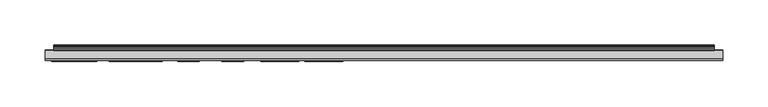
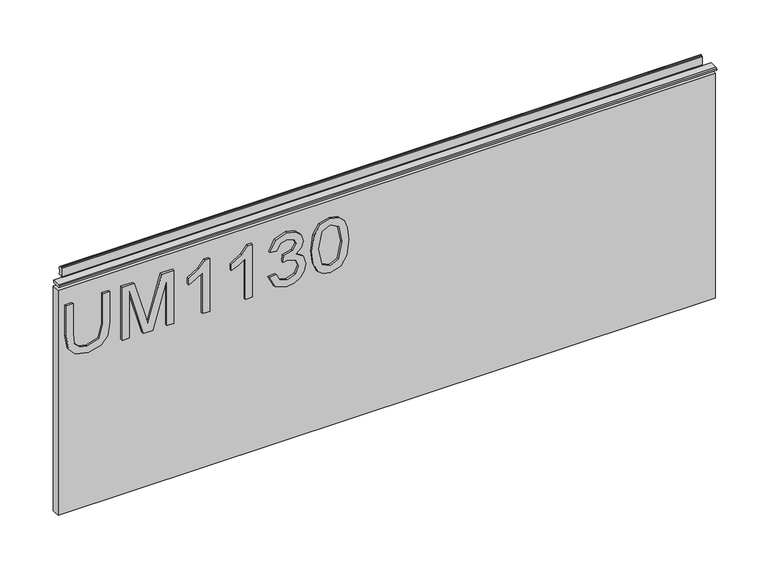
"""IFC4 building model written with IfcOpenShell, lengths in millimetres: furniture geometry."""

from ifc_helpers import new_model, si_unit, frame, origin, place, context, project, spatial, polyline, outline, extrude, source, transform, mapped, element, save


def furniture_ed817f04(model_context):
    return source(origin(), model_context, "Body", "SweptSolid", [
        extrude(outline(polyline([(1116.7975569, -249.406548), (1080.2772981, -249.406548), (1064.1741222, -253.4401289), (1059.9848047, -266.9425017), (1062.1028239, -276.3178517), (1068.1220478, -281.7219156), (1080.2772981, -283.2948564), (1116.7975569, -283.2948564), (1116.7975569, -291.268576), (1079.9969721, -291.268576), (1064.0261723, -288.8468702), (1055.0946719, -280.7641349), (1052.011085, -266.1949655), (1055.5540952, -251.3999779), (1064.7425612, -243.5975687), (1079.9969721, -241.4328284), (1116.7975569, -241.4328284), (1116.7975569, -249.406548)])), frame((0.0, -6.7767932, 0.0), z_axis=(0.0, 1.0, 0.0), x_axis=(0.0, 0.0, 1.0)), (0.0, 0.0, 1.0), 2.38125),
        extrude(outline(polyline([(1053.0078, -227.4788191), (1053.0078, -219.5050995), (1108.8238373, -219.5050995), (1053.0078, -203.4797919), (1053.0078, -192.6716641), (1108.8238373, -176.6463565), (1053.0078, -176.6463565), (1053.0078, -168.6726369), (1116.7975569, -168.6726369), (1116.7975569, -182.3930412), (1072.615052, -195.2257462), (1062.4454447, -198.075728), (1071.8363684, -200.7076784), (1116.7975569, -213.7584148), (1116.7975569, -227.4788191), (1053.0078, -227.4788191)])), frame((0.0, -6.7767932, 0.0), z_axis=(0.0, 1.0, 0.0), x_axis=(0.0, 0.0, 1.0)), (0.0, 0.0, 1.0), 2.38125),
        extrude(outline(polyline([(1053.0078, -127.8073239), (1116.7975569, -127.8073239), (1116.7975569, -132.9466353), (1108.3099062, -140.0404425), (1100.8501177, -151.7284827), (1093.3124609, -151.7284827), (1097.3382549, -143.334274), (1102.7189582, -135.7810435), (1053.0078, -135.7810435), (1053.0078, -127.8073239)])), frame((0.0, -6.7767932, 0.0), z_axis=(0.0, 1.0, 0.0), x_axis=(0.0, 0.0, 1.0)), (0.0, 0.0, 1.0), 2.38125),
        extrude(outline(polyline([(1053.0078, -78.9682912), (1116.7975569, -78.9682912), (1116.7975569, -84.1076027), (1108.3099062, -91.2014099), (1100.8501177, -102.8894501), (1093.3124609, -102.8894501), (1097.3382549, -94.4952413), (1102.7189582, -86.9420108), (1053.0078, -86.9420108), (1053.0078, -78.9682912)])), frame((0.0, -6.7767932, 0.0), z_axis=(0.0, 1.0, 0.0), x_axis=(0.0, 0.0, 1.0)), (0.0, 0.0, 1.0), 2.38125),
        extrude(outline(polyline([(1069.9519542, -60.0307071), (1057.0102335, -53.692223), (1052.011085, -39.7070663), (1053.4750101, -31.1843748), (1057.8667854, -24.2735582), (1064.3610063, -19.6948989), (1072.1322681, -18.1686791), (1082.5043331, -21.2211187), (1087.955118, -29.9112271), (1093.2345925, -23.3702853), (1100.5853653, -21.158824), (1108.6291664, -23.4870878), (1114.6094562, -30.2149137), (1116.7975569, -39.8316557), (1112.3590607, -52.508624), (1099.8534028, -59.0339922), (1098.8566878, -51.0602725), (1106.3320499, -47.1512811), (1108.8238373, -39.5513296), (1106.3554105, -32.0448201), (1100.1181552, -29.1325436), (1093.0788558, -33.1505507), (1090.8829682, -43.4758947), (1082.9092486, -44.363594), (1083.7813742, -38.772646), (1080.51869, -29.7087694), (1072.2724312, -26.1423987), (1063.520028, -29.7399168), (1059.9848047, -39.4267402), (1062.5544604, -47.6574254), (1070.9486691, -52.0569875), (1069.9519542, -60.0307071)])), frame((0.0, -6.7767932, 0.0), z_axis=(0.0, 1.0, 0.0), x_axis=(0.0, 0.0, 1.0)), (0.0, 0.0, 1.0), 2.38125),
        extrude(outline(polyline([(1084.3887473, -11.1916744), (1068.8734775, -9.60316), (1058.0848168, -4.8376166), (1053.529518, 1.4541465), (1052.011085, 9.7393396), (1055.5073742, 21.4118061), (1066.1130443, 28.3498766), (1084.3887473, 30.6703535), (1099.3784058, 29.2220021), (1108.8160505, 25.4843211), (1114.7418324, 19.0523949), (1116.7975569, 9.7393396), (1113.3246283, -1.8864059), (1102.7423188, -8.8478369), (1084.3887473, -11.1916744)]), holes=[polyline([(1084.404321, -3.2179548), (1104.5566514, 0.6443156), (1108.8238373, 9.6458975), (1103.9804256, 19.0835422), (1084.404321, 22.6966339), (1064.6179718, 18.9589529), (1059.9848047, 9.7393396), (1064.6023982, 0.5197262), (1084.404321, -3.2179548)])]), frame((0.0, -6.7767932, 0.0), z_axis=(0.0, 1.0, 0.0), x_axis=(0.0, 0.0, 1.0)), (0.0, 0.0, 1.0), 2.38125),
        extrude(outline(polyline([(5.5562561, 1143.0), (6.3500061, 1143.0), (6.3500061, 1152.87425), (7.1437561, 1153.668), (8.6677569, 1153.668), (10.0084363, 1153.2506926), (10.875413, 1152.1461816), (10.9623604, 1150.7447591), (10.2390011, 1147.7863459), (10.4046103, 1146.5833307), (11.6746103, 1144.3836103), (10.7786383, 1143.8663244), (7.1437561, 1143.8663244), (7.1437561, 1143.0), (6.3500061, 1142.7669239), (6.3500061, 1135.5578), (5.5562561, 1135.5578), (5.5562561, 1143.0)])), frame((-288.671, 0.0, 0.0), z_axis=(1.0, 0.0, 0.0), x_axis=(0.0, 1.0, 0.0)), (0.0, 0.0, 1.0), 729.742),
        extrude(outline(polyline([(5.5562561, 1143.0), (5.5562561, 1139.8249996), (-3.975094, 1139.8249996), (-5.3492339, 1140.6183657), (-5.3492339, 1142.2066395), (-3.9751037, 1143.0), (5.5562561, 1143.0)])), frame((-298.196, 0.0, 0.0), z_axis=(1.0, 0.0, 0.0), x_axis=(0.0, 1.0, 0.0)), (0.0, 0.0, 1.0), 748.792),
        extrude(outline(polyline([(450.596, 6.3500061), (450.596, -3.1749939), (-298.196, -3.1749939), (-298.196, 6.3500061), (450.596, 6.3500061)])), frame((0.0, 0.0, 864.4381927), z_axis=(0.0, 0.0, 1.0), x_axis=(1.0, 0.0, 0.0)), (0.0, 0.0, 1.0), 271.1196073),
    ])


if __name__ == "__main__":
    model = new_model("IFC4")
    model_context = context("Model", 3, world=origin())
    ifc_project = project(units=[si_unit("LENGTHUNIT", "METRE", prefix="MILLI")], contexts=[model_context])
    site = spatial("IfcSite", under=ifc_project)
    building = spatial("IfcBuilding", under=site)
    placement = place(None, origin())
    furniture_shape = furniture_ed817f04(model_context)
    element("IfcFurniture", 1, at=placement, inside=building, context=model_context, shape_type="MappedRepresentation", body=[
        mapped(furniture_shape, transform((0.0, 0.0, 0.0), x_axis=(1.0, 0.0, 0.0), y_axis=(0.0, 1.0, 0.0), z_axis=(0.0, 0.0, 1.0))),
    ])
    save(model, "model.ifc")
